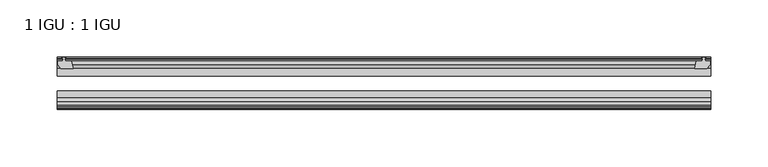
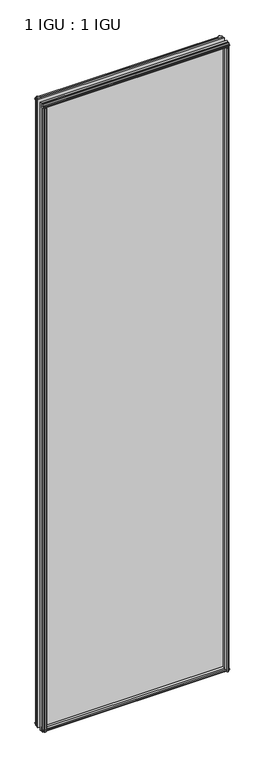
"""IFC4 building model written with IfcOpenShell, lengths in millimetres: plate geometry, 1 IGU : 1 IGU."""

from ifc_helpers import new_model, si_unit, frame, origin, place, context, project, spatial, polyline, outline, extrude, source, transform, mapped, element, save


def plate_1_igu_1_igu_13c8c26e(model_context):
    return source(origin(), model_context, "Body", "SweptSolid", [
        extrude(outline(polyline([(293.6316647, -10.4746158), (295.8091937, -9.7670938), (297.9867228, -10.4746158), (297.9867228, -11.27583), (296.5711937, -10.8158968), (296.9521937, -13.1960938), (301.3971937, -13.1960938), (301.3971937, -16.1424938), (298.5628516, -19.5460938), (287.7414757, -19.5460938), (289.4591937, -13.1960938), (294.6661937, -13.1960938), (295.0471937, -10.8158968), (293.6316647, -11.27583), (293.6316647, -10.4746158)])), frame((0.0, 0.0, -12.4587), z_axis=(0.0, 0.0, 1.0), x_axis=(1.0, 0.0, 0.0)), (0.0, 0.0, 1.0), 2018.8173999),
        extrude(outline(polyline([(-260.5865375, -9.7670937), (-258.4090084, -10.4746158), (-258.4090084, -11.27583), (-259.8245375, -10.8158968), (-259.4435375, -13.1960937), (-254.2365375, -13.1960937), (-252.5188194, -19.5460937), (-263.3401953, -19.5460937), (-266.1745375, -16.1424937), (-266.1745375, -13.1960937), (-261.7295375, -13.1960937), (-261.3485375, -10.8158968), (-262.7640666, -11.27583), (-262.7640666, -10.4746158), (-260.5865375, -9.7670937)])), frame((0.0, 0.0, -12.4587), z_axis=(0.0, 0.0, 1.0), x_axis=(1.0, 0.0, 0.0)), (0.0, 0.0, 1.0), 2018.8173999),
        extrude(outline(polyline([(287.2240777, -44.9460938), (298.0454536, -44.9460938), (300.8797957, -48.3496938), (300.8797957, -51.2960938), (296.4347957, -51.2960938), (296.0537957, -53.6762907), (297.4693248, -53.2163575), (297.4693248, -54.0175717), (295.2917957, -54.7250938), (293.1142667, -54.0175717), (293.1142667, -53.2163575), (294.5297957, -53.6762907), (294.1487957, -51.2960938), (288.9417957, -51.2960938), (287.2240777, -44.9460938)])), frame((0.0, 0.0, -12.4587), z_axis=(0.0, 0.0, 1.0), x_axis=(1.0, 0.0, 0.0)), (0.0, 0.0, 1.0), 2006.1173999),
        extrude(outline(polyline([(-251.9981194, -44.9460937), (-253.7158375, -51.2960937), (-258.9228375, -51.2960937), (-259.3038375, -53.6762907), (-257.8883084, -53.2163575), (-257.8883084, -54.0175717), (-260.0658375, -54.7250937), (-262.2433666, -54.0175717), (-262.2433666, -53.2163575), (-260.8278375, -53.6762907), (-261.2088375, -51.2960937), (-265.6538375, -51.2960937), (-265.6538375, -48.3496937), (-262.8194953, -44.9460937), (-251.9981194, -44.9460937)])), frame((0.0, 0.0, -12.4587), z_axis=(0.0, 0.0, 1.0), x_axis=(1.0, 0.0, 0.0)), (0.0, 0.0, 1.0), 2006.1173999),
        extrude(outline(polyline([(-10.4746158, -4.6931709), (-9.7670937, -6.8707), (-10.4746158, -9.0482291), (-11.27583, -9.0482291), (-10.8158968, -7.6327), (-13.1960937, -8.0137), (-13.1960937, -12.4587), (-16.1424937, -12.4587), (-19.5460937, -9.6243578), (-19.5460937, 1.1970181), (-13.1960937, -0.5207), (-13.1960937, -5.7277), (-10.8158968, -6.1087), (-11.27583, -4.6931709), (-10.4746158, -4.6931709)])), frame((-266.2174, 0.0, 0.0), z_axis=(1.0, 0.0, 0.0), x_axis=(0.0, 1.0, 0.0)), (0.0, 0.0, 1.0), 567.8558937),
        extrude(outline(polyline([(-44.9460937, 1.7177181), (-44.9460937, -9.1036578), (-48.3496937, -11.938), (-51.2960937, -11.938), (-51.2960937, -7.493), (-53.6762907, -7.112), (-53.2163575, -8.5275291), (-54.0175717, -8.5275291), (-54.7250937, -6.35), (-54.0175717, -4.1724709), (-53.2163575, -4.1724709), (-53.6762907, -5.588), (-51.2960937, -5.207), (-51.2960937, 0.0), (-44.9460937, 1.7177181)])), frame((-266.2174, 0.0, 0.0), z_axis=(1.0, 0.0, 0.0), x_axis=(0.0, 1.0, 0.0)), (0.0, 0.0, 1.0), 567.8558937),
        extrude(outline(polyline([(-10.8158968, 2001.5326999), (-11.27583, 2002.948229), (-10.4746158, 2002.948229), (-9.7670937, 2000.7706999), (-10.4746158, 1998.5931709), (-11.27583, 1998.5931709), (-10.8158968, 2000.0086999), (-13.1960937, 1999.6276999), (-13.1960937, 1994.4206999), (-19.5460938, 1992.7029819), (-19.5460938, 2003.5243578), (-16.1424937, 2006.3586999), (-13.1960937, 2006.3586999), (-13.1960937, 2001.9136999), (-10.8158968, 2001.5326999)])), frame((-266.2174, 0.0, 0.0), z_axis=(1.0, 0.0, 0.0), x_axis=(0.0, 1.0, 0.0)), (0.0, 0.0, 1.0), 567.8558937),
        extrude(outline(polyline([(-51.2960937, 2005.8379999), (-48.3496937, 2005.8379999), (-44.9460938, 2003.0036578), (-44.9460938, 1992.1822819), (-51.2960937, 1993.8999999), (-51.2960937, 1999.1069999), (-53.6762907, 1999.4879999), (-53.2163575, 1998.0724709), (-54.0175717, 1998.0724709), (-54.7250937, 2000.2499999), (-54.0175717, 2002.427529), (-53.2163575, 2002.427529), (-53.6762907, 2001.0119999), (-51.2960937, 2001.3929999), (-51.2960937, 2005.8379999)])), frame((-266.2174, 0.0, 0.0), z_axis=(1.0, 0.0, 0.0), x_axis=(0.0, 1.0, 0.0)), (0.0, 0.0, 1.0), 567.8558937),
        extrude(outline(polyline([(-266.2174, -38.9186738), (301.6384937, -38.9186738), (301.6384937, -44.9460937), (-266.2174, -44.9460937), (-266.2174, -38.9186738)])), frame((0.0, 0.0, -12.7), z_axis=(0.0, 0.0, 1.0), x_axis=(1.0, 0.0, 0.0)), (0.0, 0.0, 1.0), 2019.2999999),
        extrude(outline(polyline([(-266.2174, -19.5460937), (301.6384937, -19.5460937), (301.6384937, -25.8960938), (-266.2174, -25.8960938), (-266.2174, -19.5460937)])), frame((0.0, 0.0, -12.7), z_axis=(0.0, 0.0, 1.0), x_axis=(1.0, 0.0, 0.0)), (0.0, 0.0, 1.0), 2019.2999999),
    ])


if __name__ == "__main__":
    model = new_model("IFC4")
    model_context = context("Model", 3, world=origin())
    ifc_project = project(units=[si_unit("LENGTHUNIT", "METRE", prefix="MILLI")], contexts=[model_context])
    site = spatial("IfcSite", under=ifc_project)
    building = spatial("IfcBuilding", under=site)
    placement = place(None, origin())
    plate_1_igu_1_igu_shape = plate_1_igu_1_igu_13c8c26e(model_context)
    element("IfcPlate", 1, ObjectType="1 IGU : 1 IGU", at=placement, inside=building, context=model_context, shape_type="MappedRepresentation", body=[
        mapped(plate_1_igu_1_igu_shape, transform((0.0, 0.0, 0.0), x_axis=(1.0, 0.0, 0.0), y_axis=(0.0, 1.0, 0.0), z_axis=(0.0, 0.0, 1.0))),
    ])
    save(model, "model.ifc")
